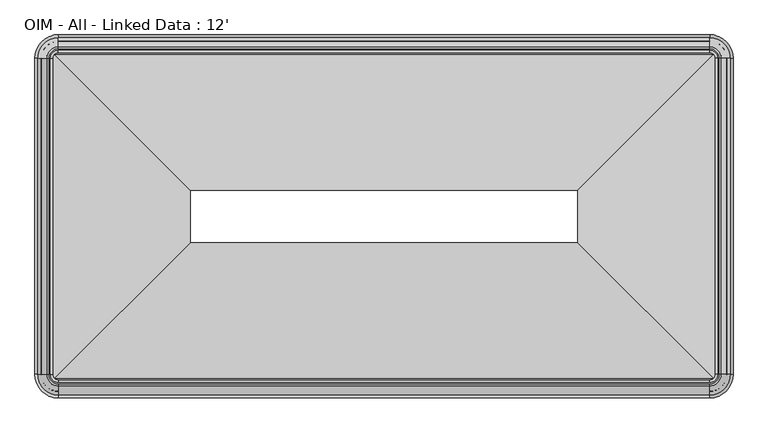
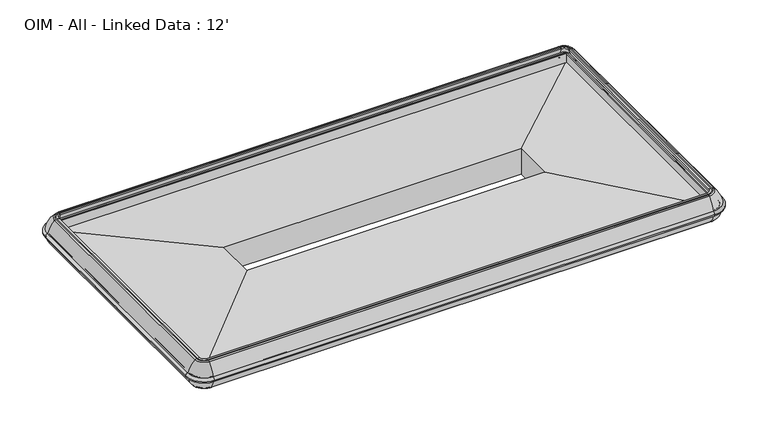
"""IFC4 building model written with IfcOpenShell, lengths in millimetres: proxy geometry, OIM - All - Linked Data : 12'."""

import ifcopenshell
import ifcopenshell.guid

model = None  # the IFC model being written
_history = None  # IfcOwnerHistory: only IFC2X3 demands one
_inside = {}  # id of a spatial element -> (the spatial element, [elements in it])
_under = {}  # id of a project, library or spatial element -> (it, [spatial elements below it])
_declared = {}  # id of a project -> (the project, [libraries it declares])
_typed = {}  # id of a type object -> (the type object, [elements of that type])
_made_of = {}  # id of a material, layer set ... -> (it, [elements and type objects made of it])


def new_model(schema):
    """Start an empty IFC model of exactly this schema.

    Asked for "IFC4X3", IfcOpenShell would pick the latest addendum, in which some entities
    have other attributes; the version numbers below select the first issue.
    IFC2X3 requires an IfcOwnerHistory on every rooted entity: one is made here for all.
    """
    global model, _history
    if schema == "IFC4X3":
        model = ifcopenshell.file(schema_version=(4, 3, 0, 0))
    else:
        model = ifcopenshell.file(schema=schema)
    _inside.clear()
    _under.clear()
    _declared.clear()
    _typed.clear()
    _made_of.clear()
    _history = None
    if model.schema == "IFC2X3":
        org = make("IfcOrganization", Name="unknown")
        user = make(
            "IfcPersonAndOrganization",
            ThePerson=make("IfcPerson", FamilyName="unknown"),
            TheOrganization=org,
        )
        app = make(
            "IfcApplication",
            ApplicationDeveloper=org,
            Version="unknown",
            ApplicationFullName="unknown",
            ApplicationIdentifier="unknown",
        )
        _history = make(
            "IfcOwnerHistory",
            OwningUser=user,
            OwningApplication=app,
            ChangeAction="ADDED",
            CreationDate=0,
        )
    return model


def make(cls, **values):
    """One entity of the class cls with the attributes given. An attribute that is None is left unset."""
    return model.create_entity(
        cls, **{name: value for name, value in values.items() if value is not None}
    )


def rooted(cls, **values):
    """An entity with a GlobalId (a new one), such as an element, a storey or a relation."""
    return make(cls, GlobalId=ifcopenshell.guid.new(), OwnerHistory=_history, **values)


def si_unit(unit_type, name, prefix=None):
    """IfcSIUnit, for example si_unit("LENGTHUNIT", "METRE", prefix="MILLI")."""
    return make("IfcSIUnit", UnitType=unit_type, Prefix=prefix, Name=name)


def assignment(units):
    """IfcUnitAssignment: the units of a project."""
    return None if units is None else make("IfcUnitAssignment", Units=units)


def point(xyz):
    """IfcCartesianPoint."""
    return None if xyz is None else make("IfcCartesianPoint", Coordinates=xyz)


def direction(xyz):
    """IfcDirection."""
    return None if xyz is None else make("IfcDirection", DirectionRatios=xyz)


def frame(location, z_axis=None, x_axis=None):
    """IfcAxis2Placement3D, a coordinate frame: its origin and axes. An axis left out is left unset."""
    return make(
        "IfcAxis2Placement3D",
        Location=point(location),
        Axis=direction(z_axis),
        RefDirection=direction(x_axis),
    )


def origin():
    """The frame at (0, 0, 0) with its axes left unset."""
    return frame((0.0, 0.0, 0.0))


def place(relative_to, where):
    """IfcLocalPlacement: puts the frame where relative to a parent placement (None: the world)."""
    return make(
        "IfcLocalPlacement", PlacementRelTo=relative_to, RelativePlacement=where
    )


def context(
    kind, dimensions, precision=None, world=None, true_north=None, identifier=None
):
    """IfcGeometricRepresentationContext, for example the 3D "Model" context."""
    return make(
        "IfcGeometricRepresentationContext",
        ContextIdentifier=identifier,
        ContextType=kind,
        CoordinateSpaceDimension=dimensions,
        Precision=precision,
        WorldCoordinateSystem=world,
        TrueNorth=true_north,
    )


def project(units=None, contexts=None):
    """IfcProject with its units and contexts."""
    return rooted(
        "IfcProject",
        Name="project",
        RepresentationContexts=contexts,
        UnitsInContext=assignment(units),
    )


def spatial(cls, under=None, at=None, **own):
    """A site, building, storey or space (cls), placed at a placement, below another one or the project."""
    s = rooted(cls, ObjectPlacement=at, **own)
    if under is not None:
        _under.setdefault(under.id(), (under, []))[1].append(s)
    return s


def polyline(points):
    """IfcPolyline through the points."""
    return make("IfcPolyline", Points=[point(p) for p in points])


def circle_curve(where, radius):
    """IfcCircle in the frame where."""
    return make("IfcCircle", Position=where, Radius=radius)


def ellipse_curve(where, semi_axis1, semi_axis2):
    """IfcEllipse in the frame where."""
    return make(
        "IfcEllipse", Position=where, SemiAxis1=semi_axis1, SemiAxis2=semi_axis2
    )


def trimmed(basis, trim1, trim2, sense, master):
    """IfcTrimmedCurve: the piece of a basis curve between two trims."""
    return make(
        "IfcTrimmedCurve",
        BasisCurve=basis,
        Trim1=trim1,
        Trim2=trim2,
        SenseAgreement=sense,
        MasterRepresentation=master,
    )


def faces_of(points, faces, orient=None, outer=None):
    """IfcFace entities. A face is a list of loops; a loop is a list of indices into points, from 0.

    orient and outer hold one flag for each loop. By default every Orientation is true, the
    first loop of a face is its IfcFaceOuterBound and the others are IfcFaceBound.
    """
    made = []
    for i, loops in enumerate(faces):
        bounds = []
        for j, loop in enumerate(loops):
            is_outer = j == 0 if outer is None else outer[i][j]
            bounds.append(
                make(
                    "IfcFaceOuterBound" if is_outer else "IfcFaceBound",
                    Bound=make("IfcPolyLoop", Polygon=[points[k] for k in loop]),
                    Orientation=True if orient is None else orient[i][j],
                )
            )
        made.append(make("IfcFace", Bounds=bounds))
    return made


def faceted_brep(points, faces, orient=None, outer=None, voids=None):
    """IfcFacetedBrep: a solid bounded by flat faces; with voids (closed shells), ...WithVoids."""
    shared = [point(p) for p in points]
    hull = make("IfcClosedShell", CfsFaces=faces_of(shared, faces, orient, outer))
    if voids is None:
        return make("IfcFacetedBrep", Outer=hull)
    return make(
        "IfcFacetedBrepWithVoids",
        Outer=hull,
        Voids=[
            make(cls, CfsFaces=faces_of(shared, fs, o, b)) for cls, fs, o, b in voids
        ],
    )


def shape(context_of_items, identifier, shape_type, items):
    """IfcShapeRepresentation: the items that make up one representation, for example the "Body"."""
    return make(
        "IfcShapeRepresentation",
        ContextOfItems=context_of_items,
        RepresentationIdentifier=identifier,
        RepresentationType=shape_type,
        Items=items,
    )


def source(mapping_origin, context_of_items, identifier, shape_type, items):
    """IfcRepresentationMap: a shape defined once, which mapped items show again and again."""
    return make(
        "IfcRepresentationMap",
        MappingOrigin=mapping_origin,
        MappedRepresentation=shape(context_of_items, identifier, shape_type, items),
    )


def transform(
    local_origin,
    x_axis=None,
    y_axis=None,
    z_axis=None,
    scale=None,
    scale2=None,
    scale3=None,
    uniform=True,
):
    """IfcCartesianTransformationOperator3D, or its non-uniform kind. x_axis, y_axis, z_axis: its Axis1, 2, 3."""
    if uniform:
        return make(
            "IfcCartesianTransformationOperator3D",
            Axis1=direction(x_axis),
            Axis2=direction(y_axis),
            LocalOrigin=point(local_origin),
            Scale=scale,
            Axis3=direction(z_axis),
        )
    return make(
        "IfcCartesianTransformationOperator3DnonUniform",
        Axis1=direction(x_axis),
        Axis2=direction(y_axis),
        LocalOrigin=point(local_origin),
        Scale=scale,
        Axis3=direction(z_axis),
        Scale2=scale2,
        Scale3=scale3,
    )


def mapped(mapping_source, mapping_target):
    """IfcMappedItem: shows the shape of a source again, moved by a transform."""
    return make(
        "IfcMappedItem", MappingSource=mapping_source, MappingTarget=mapping_target
    )


def made_of(thing, what):
    """Note that an element or type object is made of a material, layer set ...; save() writes the relation."""
    if what is not None:
        _made_of.setdefault(what.id(), (what, []))[1].append(thing)
    return thing


def element(
    cls,
    number,
    at=None,
    inside=None,
    cuts=None,
    type_object=None,
    material=None,
    context=None,
    identifier="Body",
    shape_type=None,
    held_by="IfcProductDefinitionShape",
    body=None,
    shapes=None,
    **own,
):
    """One element of the class cls, such as IfcWall. Its Tag is "e" and its number.

    at: its placement. inside: the storey or other place that contains it. cuts: it is an
    opening in that element (IfcRelVoidsElement). A single representation is given by context,
    identifier, shape_type and body (its items); several are given by shapes. held_by: the class
    of the entity that holds the representations. save() writes the other relations.
    """
    e = rooted(cls, Tag="e%d" % number, ObjectPlacement=at, **own)
    if body is not None:
        shapes = [shape(context, identifier, shape_type, body)]
    if shapes is not None:
        e.Representation = make(held_by, Representations=shapes)
    if inside is not None:
        _inside.setdefault(inside.id(), (inside, []))[1].append(e)
    if cuts is not None:
        rooted(
            "IfcRelVoidsElement", RelatingBuildingElement=cuts, RelatedOpeningElement=e
        )
    if type_object is not None:
        _typed.setdefault(type_object.id(), (type_object, []))[1].append(e)
    return made_of(e, material)


def aggregate(whole, parts):
    """IfcRelAggregates: a whole, such as a stair, and the parts it consists of."""
    return rooted("IfcRelAggregates", RelatingObject=whole, RelatedObjects=parts)


def save(model, path):
    """Write the relations noted so far, then the file.

    IfcRelAggregates (storeys below a building ...), IfcRelContainedInSpatialStructure (elements
    in a storey), IfcRelDefinesByType, IfcRelAssociatesMaterial and IfcRelDeclares: one each for
    every whole, place, type object, material and project.
    """
    for whole, parts in _under.values():
        aggregate(whole, parts)
    for where, things in _inside.values():
        rooted(
            "IfcRelContainedInSpatialStructure",
            RelatedElements=things,
            RelatingStructure=where,
        )
    for kind, things in _typed.values():
        rooted("IfcRelDefinesByType", RelatedObjects=things, RelatingType=kind)
    for what, things in _made_of.values():
        rooted("IfcRelAssociatesMaterial", RelatedObjects=things, RelatingMaterial=what)
    for by, libraries in _declared.values():
        rooted("IfcRelDeclares", RelatingContext=by, RelatedDefinitions=libraries)
    model.write(path)


def plane_surface(at):
    """IfcPlane: the flat surface through the origin of the frame at, square to its z axis."""
    return make("IfcPlane", Position=at)


def cylinder_surface(at, radius):
    """IfcCylindricalSurface: all points at the distance radius from the z axis of the frame at."""
    return make("IfcCylindricalSurface", Position=at, Radius=radius)


def revolved_surface(curve, axis_point, axis_direction):
    """IfcSurfaceOfRevolution: the curve turned about the line through axis_point along axis_direction."""
    return make(
        "IfcSurfaceOfRevolution",
        SweptCurve=make("IfcArbitraryOpenProfileDef", ProfileType="CURVE", Curve=curve),
        AxisPosition=make("IfcAxis1Placement", Location=point(axis_point), Axis=direction(axis_direction)),
    )


def advanced_brep(points, edges, surfaces, faces):
    """IfcAdvancedBrep: a solid bounded by faces that lie on surfaces and meet in shared edges.

    An edge is (start, end): straight between two places in points (the first is 0);
    or (start, end, curve); or (start, end, curve, False) where it runs against its curve.
    A face is (place in surfaces, loops), or (place, loops, False) where it looks against
    its surface's normal. A loop lists edges by number (the first is 1), with a minus sign
    where the edge is run from its end to its start. The first loop is the outer one.
    """
    corners = [point(p) for p in points]
    vertices = [make("IfcVertexPoint", VertexGeometry=c) for c in corners]
    made = []
    for start, end, *more in edges:
        made.append(
            make(
                "IfcEdgeCurve",
                EdgeStart=vertices[start],
                EdgeEnd=vertices[end],
                EdgeGeometry=more[0] if more else make("IfcPolyline", Points=[corners[start], corners[end]]),
                SameSense=more[1] if len(more) > 1 else True,
            )
        )
    hull = []
    for where, loops, *sense in faces:
        bounds = []
        for j, loop in enumerate(loops):
            ring = [make("IfcOrientedEdge", EdgeElement=made[abs(k) - 1], Orientation=k > 0) for k in loop]
            bounds.append(
                make(
                    "IfcFaceOuterBound" if j == 0 else "IfcFaceBound",
                    Bound=make("IfcEdgeLoop", EdgeList=ring),
                    Orientation=True,
                )
            )
        hull.append(make("IfcAdvancedFace", Bounds=bounds, FaceSurface=surfaces[where], SameSense=sense[0] if sense else True))
    return make("IfcAdvancedBrep", Outer=make("IfcClosedShell", CfsFaces=hull))


def oim_all_linked_data_12_1c529752(model_context):
    return source(origin(), model_context, "Body", "SolidModel", [
        faceted_brep([(3035.4647942, -1560.5487215, 450.4660075), (3035.4647942, -1560.5487215, 645.5473618), (3035.4647942, -1268.1191331, 645.5473618), (3035.4647942, -1268.1191331, 450.4660075), (3308.1689137, -1833.252841, 436.6496591), (3308.1689137, -995.4150136, 436.6496591), (3323.2508194, -1848.3347467, 422.3615379), (3323.2508194, -980.3331079, 422.3615379), (3337.0073057, -1862.091233, 435.3939986), (3337.0073057, -966.5766216, 435.3939986), (3641.3384126, -2166.4223399, 446.4092529), (3641.3384126, -662.2455147, 446.4092529), (3819.5117928, -2344.5957201, 571.1675968), (3819.5117928, -484.0721345, 571.1675968), (3819.5117928, -2344.5957201, 652.4421919), (3819.5117928, -484.0721345, 652.4421919), (3804.4305021, -2329.5144294, 644.8221919), (3805.4205286, -2330.5044559, 652.4421919), (3805.4205286, -498.1633987, 652.4421919), (3804.4305021, -499.1534252, 644.8221919), (3804.4305021, -2329.5144294, 580.407456), (3804.4305021, -499.1534252, 580.407456), (866.6102058, -1268.1191331, 645.5473618), (866.6102058, -1268.1191331, 450.4660075), (593.9060863, -995.4150136, 436.6496591), (578.8241806, -980.3331079, 422.3615379), (565.0676943, -966.5766216, 435.3939986), (260.7365874, -662.2455147, 446.4092529), (82.5632072, -484.0721345, 571.1675968), (82.5632072, -484.0721345, 652.4421919), (96.6544714, -498.1633987, 652.4421919), (97.6444979, -499.1534252, 644.8221919), (97.6444979, -499.1534252, 580.407456), (866.6102058, -1560.5487215, 645.5473618), (866.6102058, -1560.5487215, 450.4660075), (593.9060863, -1833.252841, 436.6496591), (578.8241806, -1848.3347467, 422.3615379), (565.0676943, -1862.091233, 435.3939986), (260.7365874, -2166.4223399, 446.4092529), (82.5632072, -2344.5957201, 571.1675968), (82.5632072, -2344.5957201, 652.4421919), (96.6544714, -2330.5044559, 652.4421919), (97.6444979, -2329.5144294, 644.8221919), (97.6444979, -2329.5144294, 580.407456)], [[[0, 1, 2, 3]], [[4, 0, 3, 5]], [[6, 4, 5, 7]], [[8, 6, 7, 9]], [[10, 8, 9, 11]], [[12, 10, 11, 13]], [[14, 12, 13, 15]], [[16, 17, 18, 19]], [[20, 16, 19, 21]], [[1, 20, 21, 2]], [[3, 2, 22, 23]], [[5, 3, 23, 24]], [[7, 5, 24, 25]], [[9, 7, 25, 26]], [[11, 9, 26, 27]], [[13, 11, 27, 28]], [[15, 13, 28, 29]], [[19, 18, 30, 31]], [[21, 19, 31, 32]], [[2, 21, 32, 22]], [[23, 22, 33, 34]], [[24, 23, 34, 35]], [[25, 24, 35, 36]], [[26, 25, 36, 37]], [[27, 26, 37, 38]], [[28, 27, 38, 39]], [[29, 28, 39, 40]], [[31, 30, 41, 42]], [[32, 31, 42, 43]], [[22, 32, 43, 33]], [[34, 33, 1, 0]], [[35, 34, 0, 4]], [[36, 35, 4, 6]], [[37, 36, 6, 8]], [[38, 37, 8, 10]], [[39, 38, 10, 12]], [[40, 39, 12, 14]], [[15, 29, 40, 14], [17, 41, 30, 18]], [[42, 41, 17, 16]], [[43, 42, 16, 20]], [[33, 43, 20, 1]]]),
        advanced_brep(
        [(-3.5299884, -2298.62165, 584.7675726), (128.5372773, -2430.6889157, 584.7675726), (128.5372773, -2395.6988356, 584.7675726), (31.4600917, -2298.62165, 584.7675726), (31.4600917, -530.0462046, 584.7675726), (-3.5299884, -530.0462046, 584.7675726), (128.5372773, -397.9789389, 584.7675726), (128.5372773, -432.969019, 584.7675726), (3773.5377227, -432.969019, 584.7675726), (3773.5377227, -397.9789389, 584.7675726), (3905.6049884, -530.0462046, 584.7675726), (3870.6149083, -530.0462046, 584.7675726), (3870.6149083, -2298.62165, 584.7675726), (3905.6049884, -2298.62165, 584.7675726), (3773.5377227, -2430.6889157, 584.7675726), (3773.5377227, -2395.6988356, 584.7675726)],
        [
            (0, 1, circle_curve(frame((128.5372773, -2298.62165, 584.7675726), z_axis=(0.0, 0.0, 1.0), x_axis=(0.0, -1.0, 0.0)), 132.0672657)),
            (1, 2, circle_curve(frame((128.5372773, -2413.1938757, 584.7675726), z_axis=(-1.0, 0.0, 0.0), x_axis=(0.0, -1.0, 0.0)), 17.49504)),
            (2, 3, circle_curve(frame((128.5372773, -2298.62165, 584.7675726), z_axis=(0.0, 0.0, -1.0), x_axis=(0.0, -1.0, 0.0)), 97.0771856)),
            (3, 0, circle_curve(frame((13.9650516, -2298.62165, 584.7675726), z_axis=(0.0, -1.0, 0.0), x_axis=(-1.0, 0.0, 0.0)), 17.49504)),
            (2, 1, circle_curve(frame((128.5372773, -2413.1938757, 584.7675726), z_axis=(-1.0, 0.0, 0.0), x_axis=(0.0, -1.0, 0.0)), 17.49504)),
            (0, 3, circle_curve(frame((13.9650516, -2298.62165, 584.7675726), z_axis=(0.0, -1.0, 0.0), x_axis=(-1.0, 0.0, 0.0)), 17.49504)),
            (3, 4),
            (4, 5, circle_curve(frame((13.9650516, -530.0462046, 584.7675726), z_axis=(0.0, -1.0, 0.0), x_axis=(-1.0, 0.0, 0.0)), 17.49504)),
            (5, 0),
            (5, 4, circle_curve(frame((13.9650516, -530.0462046, 584.7675726), z_axis=(0.0, -1.0, 0.0), x_axis=(-1.0, 0.0, 0.0)), 17.49504)),
            (6, 5, circle_curve(frame((128.5372773, -530.0462046, 584.7675726), z_axis=(0.0, 0.0, 1.0), x_axis=(-1.0, 0.0, 0.0)), 132.0672657)),
            (4, 7, circle_curve(frame((128.5372773, -530.0462046, 584.7675726), z_axis=(0.0, 0.0, -1.0), x_axis=(-1.0, 0.0, 0.0)), 97.0771856)),
            (7, 6, circle_curve(frame((128.5372773, -415.4739789, 584.7675726), z_axis=(-1.0, 0.0, 0.0), x_axis=(0.0, 1.0, 0.0)), 17.49504)),
            (6, 7, circle_curve(frame((128.5372773, -415.4739789, 584.7675726), z_axis=(-1.0, 0.0, 0.0), x_axis=(0.0, 1.0, 0.0)), 17.49504)),
            (7, 8),
            (8, 9, circle_curve(frame((3773.5377227, -415.4739789, 584.7675726), z_axis=(-1.0, 0.0, 0.0), x_axis=(0.0, 1.0, 0.0)), 17.49504)),
            (9, 6),
            (9, 8, circle_curve(frame((3773.5377227, -415.4739789, 584.7675726), z_axis=(-1.0, 0.0, 0.0), x_axis=(0.0, 1.0, 0.0)), 17.49504)),
            (10, 9, circle_curve(frame((3773.5377227, -530.0462046, 584.7675726), z_axis=(0.0, 0.0, 1.0), x_axis=(0.0, 1.0, 0.0)), 132.0672657)),
            (8, 11, circle_curve(frame((3773.5377227, -530.0462046, 584.7675726), z_axis=(0.0, 0.0, -1.0), x_axis=(0.0, 1.0, 0.0)), 97.0771856)),
            (11, 10, circle_curve(frame((3888.1099484, -530.0462046, 584.7675726), z_axis=(0.0, 1.0, 0.0), x_axis=(1.0, 0.0, 0.0)), 17.49504)),
            (10, 11, circle_curve(frame((3888.1099484, -530.0462046, 584.7675726), z_axis=(0.0, 1.0, 0.0), x_axis=(1.0, 0.0, 0.0)), 17.49504)),
            (11, 12),
            (12, 13, circle_curve(frame((3888.1099484, -2298.62165, 584.7675726), z_axis=(0.0, 1.0, 0.0), x_axis=(1.0, 0.0, 0.0)), 17.49504)),
            (13, 10),
            (13, 12, circle_curve(frame((3888.1099484, -2298.62165, 584.7675726), z_axis=(0.0, 1.0, 0.0), x_axis=(1.0, 0.0, 0.0)), 17.49504)),
            (14, 13, circle_curve(frame((3773.5377227, -2298.62165, 584.7675726), z_axis=(0.0, 0.0, 1.0), x_axis=(1.0, 0.0, 0.0)), 132.0672657)),
            (12, 15, circle_curve(frame((3773.5377227, -2298.62165, 584.7675726), z_axis=(0.0, 0.0, -1.0), x_axis=(1.0, 0.0, 0.0)), 97.0771856)),
            (15, 14, circle_curve(frame((3773.5377227, -2413.1938757, 584.7675726), z_axis=(1.0, 0.0, 0.0), x_axis=(0.0, -1.0, 0.0)), 17.49504)),
            (14, 15, circle_curve(frame((3773.5377227, -2413.1938757, 584.7675726), z_axis=(1.0, 0.0, 0.0), x_axis=(0.0, -1.0, 0.0)), 17.49504)),
            (15, 2),
            (1, 14),
        ],
        [
            revolved_surface(trimmed(ellipse_curve(frame((128.5372773, -2413.1938757, 584.7675726), z_axis=(1.0, 0.0, 0.0), x_axis=(0.0, -1.0, 0.0)), 17.49504, 17.49504), [point((128.5372773, -2395.6988356, 584.7675726))], [point((128.5372773, -2430.6889157, 584.7675726))], True, "CARTESIAN"), (128.5372773, -2298.62165, 0.0), (0.0, 0.0, -1.0)),
            revolved_surface(trimmed(ellipse_curve(frame((128.5372773, -2413.1938757, 584.7675726), z_axis=(1.0, 0.0, 0.0), x_axis=(0.0, -1.0, 0.0)), 17.49504, 17.49504), [point((128.5372773, -2430.6889157, 584.7675726))], [point((128.5372773, -2395.6988356, 584.7675726))], True, "CARTESIAN"), (128.5372773, -2298.62165, 0.0), (0.0, 0.0, -1.0)),
            cylinder_surface(frame((13.9650516, -2298.62165, 584.7675726), z_axis=(0.0, -1.0, 0.0), x_axis=(-1.0, 0.0, 0.0)), 17.49504),
            revolved_surface(trimmed(ellipse_curve(frame((13.9650516, -530.0462046, 584.7675726), z_axis=(0.0, -1.0, 0.0), x_axis=(-1.0, 0.0, 0.0)), 17.49504, 17.49504), [point((31.4600917, -530.0462046, 584.7675726))], [point((-3.5299884, -530.0462046, 584.7675726))], True, "CARTESIAN"), (128.5372773, -530.0462046, 0.0), (0.0, 0.0, -1.0)),
            revolved_surface(trimmed(ellipse_curve(frame((13.9650516, -530.0462046, 584.7675726), z_axis=(0.0, -1.0, 0.0), x_axis=(-1.0, 0.0, 0.0)), 17.49504, 17.49504), [point((-3.5299884, -530.0462046, 584.7675726))], [point((31.4600917, -530.0462046, 584.7675726))], True, "CARTESIAN"), (128.5372773, -530.0462046, 0.0), (0.0, 0.0, -1.0)),
            cylinder_surface(frame((128.5372773, -415.4739789, 584.7675726), z_axis=(-1.0, 0.0, 0.0), x_axis=(0.0, 1.0, 0.0)), 17.49504),
            revolved_surface(trimmed(ellipse_curve(frame((3773.5377227, -415.4739789, 584.7675726), z_axis=(-1.0, 0.0, 0.0), x_axis=(0.0, 1.0, 0.0)), 17.49504, 17.49504), [point((3773.5377227, -432.969019, 584.7675726))], [point((3773.5377227, -397.9789389, 584.7675726))], True, "CARTESIAN"), (3773.5377227, -530.0462046, 0.0), (0.0, 0.0, -1.0)),
            revolved_surface(trimmed(ellipse_curve(frame((3773.5377227, -415.4739789, 584.7675726), z_axis=(-1.0, 0.0, 0.0), x_axis=(0.0, 1.0, 0.0)), 17.49504, 17.49504), [point((3773.5377227, -397.9789389, 584.7675726))], [point((3773.5377227, -432.969019, 584.7675726))], True, "CARTESIAN"), (3773.5377227, -530.0462046, 0.0), (0.0, 0.0, -1.0)),
            cylinder_surface(frame((3888.1099484, -530.0462046, 584.7675726), z_axis=(0.0, 1.0, 0.0), x_axis=(1.0, 0.0, 0.0)), 17.49504),
            revolved_surface(trimmed(ellipse_curve(frame((3888.1099484, -2298.62165, 584.7675726), z_axis=(0.0, 1.0, 0.0), x_axis=(1.0, 0.0, 0.0)), 17.49504, 17.49504), [point((3870.6149083, -2298.62165, 584.7675726))], [point((3905.6049884, -2298.62165, 584.7675726))], True, "CARTESIAN"), (3773.5377227, -2298.62165, 0.0), (0.0, 0.0, -1.0)),
            revolved_surface(trimmed(ellipse_curve(frame((3888.1099484, -2298.62165, 584.7675726), z_axis=(0.0, 1.0, 0.0), x_axis=(1.0, 0.0, 0.0)), 17.49504, 17.49504), [point((3905.6049884, -2298.62165, 584.7675726))], [point((3870.6149083, -2298.62165, 584.7675726))], True, "CARTESIAN"), (3773.5377227, -2298.62165, 0.0), (0.0, 0.0, -1.0)),
            cylinder_surface(frame((3773.5377227, -2413.1938757, 584.7675726), z_axis=(1.0, 0.0, 0.0), x_axis=(0.0, -1.0, 0.0)), 17.49504),
        ],
        [
            (0, [[1, 2, 3, 4]]),
            (1, [[-3, 5, -1, 6]]),
            (2, [[-4, 7, 8, 9]]),
            (2, [[-6, -9, 10, -7]]),
            (3, [[11, -8, 12, 13]]),
            (4, [[-12, -10, -11, 14]]),
            (5, [[-13, 15, 16, 17]]),
            (5, [[-14, -17, 18, -15]]),
            (6, [[19, -16, 20, 21]]),
            (7, [[-20, -18, -19, 22]]),
            (8, [[-21, 23, 24, 25]]),
            (8, [[-22, -25, 26, -23]]),
            (9, [[27, -24, 28, 29]]),
            (10, [[-28, -26, -27, 30]]),
            (11, [[-29, 31, -2, 32]]),
            (11, [[-30, -32, -5, -31]]),
        ],
    ),
        advanced_brep(
        [(3821.8168021, -2298.62165, 502.405218), (3773.5377227, -2346.9007294, 502.405218), (3773.5377227, -2346.9007294, 649.6302707), (3821.8168021, -2298.62165, 649.6302707), (3860.6269627, -2298.62165, 504.5537563), (3773.5377227, -2385.71089, 504.5537563), (3773.5377227, -2380.9495646, 502.405218), (3855.8656373, -2298.62165, 502.405218), (3890.6306889, -2298.62165, 567.4550831), (3773.5377227, -2415.7146162, 567.4550831), (3890.4225364, -2298.62165, 602.109094), (3773.5377227, -2415.5064637, 602.109094), (3839.34706, -2298.62165, 687.0777092), (3773.5377227, -2364.4309873, 687.0777092), (3828.5606373, -2298.62165, 691.305018), (3773.5377227, -2353.6445646, 691.305018), (3805.53719, -2298.62165, 690.9584783), (3773.5377227, -2330.6211173, 690.9584783), (3773.5377227, -2344.1195646, 691.305018), (3819.0356373, -2298.62165, 691.305018), (3821.8168021, -530.0462046, 649.6302707), (3821.8168021, -530.0462046, 502.405218), (3855.8656373, -530.0462046, 502.405218), (3860.6269627, -530.0462046, 504.5537563), (3890.6306889, -530.0462046, 567.4550831), (3890.4225364, -530.0462046, 602.109094), (3839.34706, -530.0462046, 687.0777092), (3828.5606373, -530.0462046, 691.305018), (3819.0356373, -530.0462046, 691.305018), (3805.53719, -530.0462046, 690.9584783), (3773.5377227, -481.7671252, 502.405218), (3773.5377227, -481.7671252, 649.6302707), (3773.5377227, -442.9569646, 504.5537563), (3773.5377227, -447.71829, 502.405218), (3773.5377227, -412.9532384, 567.4550831), (3773.5377227, -413.1613909, 602.109094), (3773.5377227, -464.2368673, 687.0777092), (3773.5377227, -475.02329, 691.305018), (3773.5377227, -498.0467373, 690.9584783), (3773.5377227, -484.54829, 691.305018), (128.5372773, -481.7671252, 649.6302707), (128.5372773, -481.7671252, 502.405218), (128.5372773, -447.71829, 502.405218), (128.5372773, -442.9569646, 504.5537563), (128.5372773, -412.9532384, 567.4550831), (128.5372773, -413.1613909, 602.109094), (128.5372773, -464.2368673, 687.0777092), (128.5372773, -475.02329, 691.305018), (128.5372773, -484.54829, 691.305018), (128.5372773, -498.0467373, 690.9584783), (80.2581979, -530.0462046, 502.405218), (80.2581979, -530.0462046, 649.6302707), (41.4480373, -530.0462046, 504.5537563), (46.2093627, -530.0462046, 502.405218), (11.4443111, -530.0462046, 567.4550831), (11.6524636, -530.0462046, 602.109094), (62.72794, -530.0462046, 687.0777092), (73.5143627, -530.0462046, 691.305018), (96.53781, -530.0462046, 690.9584783), (83.0393627, -530.0462046, 691.305018), (80.2581979, -2298.62165, 649.6302707), (80.2581979, -2298.62165, 502.405218), (46.2093627, -2298.62165, 502.405218), (41.4480373, -2298.62165, 504.5537563), (11.4443111, -2298.62165, 567.4550831), (11.6524636, -2298.62165, 602.109094), (62.72794, -2298.62165, 687.0777092), (73.5143627, -2298.62165, 691.305018), (83.0393627, -2298.62165, 691.305018), (96.53781, -2298.62165, 690.9584783), (128.5372773, -2346.9007294, 502.405218), (128.5372773, -2346.9007294, 649.6302707), (128.5372773, -2385.71089, 504.5537563), (128.5372773, -2380.9495646, 502.405218), (128.5372773, -2415.7146162, 567.4550831), (128.5372773, -2415.5064637, 602.109094), (128.5372773, -2364.4309873, 687.0777092), (128.5372773, -2353.6445646, 691.305018), (128.5372773, -2330.6211173, 690.9584783), (128.5372773, -2344.1195646, 691.305018)],
        [
            (0, 1, circle_curve(frame((3773.5377227, -2298.62165, 502.405218), z_axis=(0.0, 0.0, -1.0), x_axis=(0.0, -1.0, 0.0)), 48.2790794)),
            (1, 2),
            (2, 3, circle_curve(frame((3773.5377227, -2298.62165, 649.6302707), z_axis=(0.0, 0.0, 1.0), x_axis=(0.0, -1.0, 0.0)), 48.2790794)),
            (3, 0),
            (4, 5, circle_curve(frame((3773.5377227, -2298.62165, 504.5537563), z_axis=(0.0, 0.0, -1.0), x_axis=(0.0, -1.0, 0.0)), 87.08924)),
            (5, 6, circle_curve(frame((3773.5377227, -2380.9495646, 508.755218), z_axis=(1.0, 0.0, 0.0), x_axis=(0.0, 1.0, 0.0)), 6.35)),
            (6, 7, circle_curve(frame((3773.5377227, -2298.62165, 502.405218), z_axis=(0.0, 0.0, 1.0), x_axis=(0.0, -1.0, 0.0)), 82.3279146)),
            (7, 4, circle_curve(frame((3855.8656373, -2298.62165, 508.755218), z_axis=(0.0, -1.0, 0.0), x_axis=(-1.0, 0.0, 0.0)), 6.35)),
            (8, 9, circle_curve(frame((3773.5377227, -2298.62165, 567.4550831), z_axis=(0.0, 0.0, -1.0), x_axis=(0.0, -1.0, 0.0)), 117.0929662)),
            (9, 5, circle_curve(frame((3773.5377227, -2290.4843821, 588.5829906), z_axis=(1.0, 0.0, 0.0), x_axis=(0.0, 1.0, 0.0)), 127.0)),
            (4, 8, circle_curve(frame((3765.4004548, -2298.62165, 588.5829906), z_axis=(0.0, -1.0, 0.0), x_axis=(-1.0, 0.0, 0.0)), 127.0)),
            (10, 11, circle_curve(frame((3773.5377227, -2298.62165, 602.109094), z_axis=(0.0, 0.0, -1.0), x_axis=(0.0, -1.0, 0.0)), 116.8848137)),
            (11, 9, circle_curve(frame((3773.5377227, -2413.1938757, 584.7675726), z_axis=(-1.0, 0.0, 0.0), x_axis=(0.0, 1.0, 0.0)), 17.49504)),
            (8, 10, circle_curve(frame((3888.1099484, -2298.62165, 584.7675726), z_axis=(0.0, 1.0, 0.0), x_axis=(-1.0, 0.0, 0.0)), 17.49504)),
            (12, 13, circle_curve(frame((3773.5377227, -2298.62165, 687.0777092), z_axis=(0.0, 0.0, -1.0), x_axis=(0.0, -1.0, 0.0)), 65.8093373)),
            (13, 11, circle_curve(frame((3773.5377227, -2243.6230529, 556.623568), z_axis=(1.0, 0.0, 0.0), x_axis=(0.0, 1.0, 0.0)), 177.7999999)),
            (10, 12, circle_curve(frame((3718.5391256, -2298.62165, 556.623568), z_axis=(0.0, -1.0, 0.0), x_axis=(-1.0, 0.0, 0.0)), 177.7999999)),
            (14, 15, circle_curve(frame((3773.5377227, -2298.62165, 691.305018), z_axis=(0.0, 0.0, -1.0), x_axis=(0.0, -1.0, 0.0)), 55.0229146)),
            (15, 13, circle_curve(frame((3773.5377227, -2353.6445646, 675.430018), z_axis=(1.0, 0.0, 0.0), x_axis=(0.0, 1.0, 0.0)), 15.875)),
            (12, 14, circle_curve(frame((3828.5606373, -2298.62165, 675.430018), z_axis=(0.0, -1.0, 0.0), x_axis=(-1.0, 0.0, 0.0)), 15.875)),
            (16, 17, circle_curve(frame((3773.5377227, -2298.62165, 690.9584783), z_axis=(0.0, 0.0, -1.0), x_axis=(0.0, -1.0, 0.0)), 31.9994673)),
            (17, 18),
            (18, 19, circle_curve(frame((3773.5377227, -2298.62165, 691.305018), z_axis=(0.0, 0.0, 1.0), x_axis=(0.0, -1.0, 0.0)), 45.4979146)),
            (19, 16),
            (2, 17),
            (16, 3),
            (3, 20),
            (20, 21),
            (21, 0),
            (7, 22),
            (22, 23, circle_curve(frame((3855.8656373, -530.0462046, 508.755218), z_axis=(0.0, -1.0, 0.0), x_axis=(-1.0, 0.0, 0.0)), 6.35)),
            (23, 4),
            (23, 24, circle_curve(frame((3765.4004548, -530.0462046, 588.5829906), z_axis=(0.0, -1.0, 0.0), x_axis=(-1.0, 0.0, 0.0)), 127.0)),
            (24, 8),
            (24, 25, circle_curve(frame((3888.1099484, -530.0462046, 584.7675726), z_axis=(0.0, 1.0, 0.0), x_axis=(-1.0, 0.0, 0.0)), 17.49504)),
            (25, 10),
            (25, 26, circle_curve(frame((3718.5391256, -530.0462046, 556.623568), z_axis=(0.0, -1.0, 0.0), x_axis=(-1.0, 0.0, 0.0)), 177.7999999)),
            (26, 12),
            (26, 27, circle_curve(frame((3828.5606373, -530.0462046, 675.430018), z_axis=(0.0, -1.0, 0.0), x_axis=(-1.0, 0.0, 0.0)), 15.875)),
            (27, 14),
            (19, 28),
            (28, 29),
            (29, 16),
            (29, 20),
            (30, 21, circle_curve(frame((3773.5377227, -530.0462046, 502.405218), z_axis=(0.0, 0.0, -1.0), x_axis=(1.0, 0.0, 0.0)), 48.2790794)),
            (20, 31, circle_curve(frame((3773.5377227, -530.0462046, 649.6302707), z_axis=(0.0, 0.0, 1.0), x_axis=(1.0, 0.0, 0.0)), 48.2790794)),
            (31, 30),
            (32, 23, circle_curve(frame((3773.5377227, -530.0462046, 504.5537563), z_axis=(0.0, 0.0, -1.0), x_axis=(1.0, 0.0, 0.0)), 87.08924)),
            (22, 33, circle_curve(frame((3773.5377227, -530.0462046, 502.405218), z_axis=(0.0, 0.0, 1.0), x_axis=(1.0, 0.0, 0.0)), 82.3279146)),
            (33, 32, circle_curve(frame((3773.5377227, -447.71829, 508.755218), z_axis=(1.0, 0.0, 0.0), x_axis=(0.0, -1.0, 0.0)), 6.35)),
            (34, 24, circle_curve(frame((3773.5377227, -530.0462046, 567.4550831), z_axis=(0.0, 0.0, -1.0), x_axis=(1.0, 0.0, 0.0)), 117.0929662)),
            (32, 34, circle_curve(frame((3773.5377227, -538.1834725, 588.5829906), z_axis=(1.0, 0.0, 0.0), x_axis=(0.0, -1.0, 0.0)), 127.0)),
            (35, 25, circle_curve(frame((3773.5377227, -530.0462046, 602.109094), z_axis=(0.0, 0.0, -1.0), x_axis=(1.0, 0.0, 0.0)), 116.8848137)),
            (34, 35, circle_curve(frame((3773.5377227, -415.4739789, 584.7675726), z_axis=(-1.0, 0.0, 0.0), x_axis=(0.0, -1.0, 0.0)), 17.49504)),
            (36, 26, circle_curve(frame((3773.5377227, -530.0462046, 687.0777092), z_axis=(0.0, 0.0, -1.0), x_axis=(1.0, 0.0, 0.0)), 65.8093373)),
            (35, 36, circle_curve(frame((3773.5377227, -585.0448017, 556.623568), z_axis=(1.0, 0.0, 0.0), x_axis=(0.0, -1.0, 0.0)), 177.7999999)),
            (37, 27, circle_curve(frame((3773.5377227, -530.0462046, 691.305018), z_axis=(0.0, 0.0, -1.0), x_axis=(1.0, 0.0, 0.0)), 55.0229146)),
            (36, 37, circle_curve(frame((3773.5377227, -475.02329, 675.430018), z_axis=(1.0, 0.0, 0.0), x_axis=(0.0, -1.0, 0.0)), 15.875)),
            (38, 29, circle_curve(frame((3773.5377227, -530.0462046, 690.9584783), z_axis=(0.0, 0.0, -1.0), x_axis=(1.0, 0.0, 0.0)), 31.9994673)),
            (28, 39, circle_curve(frame((3773.5377227, -530.0462046, 691.305018), z_axis=(0.0, 0.0, 1.0), x_axis=(1.0, 0.0, 0.0)), 45.4979146)),
            (39, 38),
            (38, 31),
            (31, 40),
            (40, 41),
            (41, 30),
            (33, 42),
            (42, 43, circle_curve(frame((128.5372773, -447.71829, 508.755218), z_axis=(1.0, 0.0, 0.0), x_axis=(0.0, -1.0, 0.0)), 6.35)),
            (43, 32),
            (43, 44, circle_curve(frame((128.5372773, -538.1834725, 588.5829906), z_axis=(1.0, 0.0, 0.0), x_axis=(0.0, -1.0, 0.0)), 127.0)),
            (44, 34),
            (44, 45, circle_curve(frame((128.5372773, -415.4739789, 584.7675726), z_axis=(-1.0, 0.0, 0.0), x_axis=(0.0, -1.0, 0.0)), 17.49504)),
            (45, 35),
            (45, 46, circle_curve(frame((128.5372773, -585.0448017, 556.623568), z_axis=(1.0, 0.0, 0.0), x_axis=(0.0, -1.0, 0.0)), 177.7999999)),
            (46, 36),
            (46, 47, circle_curve(frame((128.5372773, -475.02329, 675.430018), z_axis=(1.0, 0.0, 0.0), x_axis=(0.0, -1.0, 0.0)), 15.875)),
            (47, 37),
            (39, 48),
            (48, 49),
            (49, 38),
            (49, 40),
            (50, 41, circle_curve(frame((128.5372773, -530.0462046, 502.405218), z_axis=(0.0, 0.0, -1.0), x_axis=(0.0, 1.0, 0.0)), 48.2790794)),
            (40, 51, circle_curve(frame((128.5372773, -530.0462046, 649.6302707), z_axis=(0.0, 0.0, 1.0), x_axis=(0.0, 1.0, 0.0)), 48.2790794)),
            (51, 50),
            (52, 43, circle_curve(frame((128.5372773, -530.0462046, 504.5537563), z_axis=(0.0, 0.0, -1.0), x_axis=(0.0, 1.0, 0.0)), 87.08924)),
            (42, 53, circle_curve(frame((128.5372773, -530.0462046, 502.405218), z_axis=(0.0, 0.0, 1.0), x_axis=(0.0, 1.0, 0.0)), 82.3279146)),
            (53, 52, circle_curve(frame((46.2093627, -530.0462046, 508.755218), z_axis=(0.0, 1.0, 0.0), x_axis=(1.0, 0.0, 0.0)), 6.35)),
            (54, 44, circle_curve(frame((128.5372773, -530.0462046, 567.4550831), z_axis=(0.0, 0.0, -1.0), x_axis=(0.0, 1.0, 0.0)), 117.0929662)),
            (52, 54, circle_curve(frame((136.6745452, -530.0462046, 588.5829906), z_axis=(0.0, 1.0, 0.0), x_axis=(1.0, 0.0, 0.0)), 127.0)),
            (55, 45, circle_curve(frame((128.5372773, -530.0462046, 602.109094), z_axis=(0.0, 0.0, -1.0), x_axis=(0.0, 1.0, 0.0)), 116.8848137)),
            (54, 55, circle_curve(frame((13.9650516, -530.0462046, 584.7675726), z_axis=(0.0, -1.0, 0.0), x_axis=(1.0, 0.0, 0.0)), 17.49504)),
            (56, 46, circle_curve(frame((128.5372773, -530.0462046, 687.0777092), z_axis=(0.0, 0.0, -1.0), x_axis=(0.0, 1.0, 0.0)), 65.8093373)),
            (55, 56, circle_curve(frame((183.5358744, -530.0462046, 556.623568), z_axis=(0.0, 1.0, 0.0), x_axis=(1.0, 0.0, 0.0)), 177.7999999)),
            (57, 47, circle_curve(frame((128.5372773, -530.0462046, 691.305018), z_axis=(0.0, 0.0, -1.0), x_axis=(0.0, 1.0, 0.0)), 55.0229146)),
            (56, 57, circle_curve(frame((73.5143627, -530.0462046, 675.430018), z_axis=(0.0, 1.0, 0.0), x_axis=(1.0, 0.0, 0.0)), 15.875)),
            (58, 49, circle_curve(frame((128.5372773, -530.0462046, 690.9584783), z_axis=(0.0, 0.0, -1.0), x_axis=(0.0, 1.0, 0.0)), 31.9994673)),
            (48, 59, circle_curve(frame((128.5372773, -530.0462046, 691.305018), z_axis=(0.0, 0.0, 1.0), x_axis=(0.0, 1.0, 0.0)), 45.4979146)),
            (59, 58),
            (58, 51),
            (51, 60),
            (60, 61),
            (61, 50),
            (53, 62),
            (62, 63, circle_curve(frame((46.2093627, -2298.62165, 508.755218), z_axis=(0.0, 1.0, 0.0), x_axis=(1.0, 0.0, 0.0)), 6.35)),
            (63, 52),
            (63, 64, circle_curve(frame((136.6745452, -2298.62165, 588.5829906), z_axis=(0.0, 1.0, 0.0), x_axis=(1.0, 0.0, 0.0)), 127.0)),
            (64, 54),
            (64, 65, circle_curve(frame((13.9650516, -2298.62165, 584.7675726), z_axis=(0.0, -1.0, 0.0), x_axis=(1.0, 0.0, 0.0)), 17.49504)),
            (65, 55),
            (65, 66, circle_curve(frame((183.5358744, -2298.62165, 556.623568), z_axis=(0.0, 1.0, 0.0), x_axis=(1.0, 0.0, 0.0)), 177.7999999)),
            (66, 56),
            (66, 67, circle_curve(frame((73.5143627, -2298.62165, 675.430018), z_axis=(0.0, 1.0, 0.0), x_axis=(1.0, 0.0, 0.0)), 15.875)),
            (67, 57),
            (59, 68),
            (68, 69),
            (69, 58),
            (69, 60),
            (70, 61, circle_curve(frame((128.5372773, -2298.62165, 502.405218), z_axis=(0.0, 0.0, -1.0), x_axis=(-1.0, 0.0, 0.0)), 48.2790794)),
            (60, 71, circle_curve(frame((128.5372773, -2298.62165, 649.6302707), z_axis=(0.0, 0.0, 1.0), x_axis=(-1.0, 0.0, 0.0)), 48.2790794)),
            (71, 70),
            (72, 63, circle_curve(frame((128.5372773, -2298.62165, 504.5537563), z_axis=(0.0, 0.0, -1.0), x_axis=(-1.0, 0.0, 0.0)), 87.08924)),
            (62, 73, circle_curve(frame((128.5372773, -2298.62165, 502.405218), z_axis=(0.0, 0.0, 1.0), x_axis=(-1.0, 0.0, 0.0)), 82.3279146)),
            (73, 72, circle_curve(frame((128.5372773, -2380.9495646, 508.755218), z_axis=(-1.0, 0.0, 0.0), x_axis=(0.0, 1.0, 0.0)), 6.35)),
            (74, 64, circle_curve(frame((128.5372773, -2298.62165, 567.4550831), z_axis=(0.0, 0.0, -1.0), x_axis=(-1.0, 0.0, 0.0)), 117.0929662)),
            (72, 74, circle_curve(frame((128.5372773, -2290.4843821, 588.5829906), z_axis=(-1.0, 0.0, 0.0), x_axis=(0.0, 1.0, 0.0)), 127.0)),
            (75, 65, circle_curve(frame((128.5372773, -2298.62165, 602.109094), z_axis=(0.0, 0.0, -1.0), x_axis=(-1.0, 0.0, 0.0)), 116.8848137)),
            (74, 75, circle_curve(frame((128.5372773, -2413.1938757, 584.7675726), z_axis=(1.0, 0.0, 0.0), x_axis=(0.0, 1.0, 0.0)), 17.49504)),
            (76, 66, circle_curve(frame((128.5372773, -2298.62165, 687.0777092), z_axis=(0.0, 0.0, -1.0), x_axis=(-1.0, 0.0, 0.0)), 65.8093373)),
            (75, 76, circle_curve(frame((128.5372773, -2243.6230529, 556.623568), z_axis=(-1.0, 0.0, 0.0), x_axis=(0.0, 1.0, 0.0)), 177.7999999)),
            (77, 67, circle_curve(frame((128.5372773, -2298.62165, 691.305018), z_axis=(0.0, 0.0, -1.0), x_axis=(-1.0, 0.0, 0.0)), 55.0229146)),
            (76, 77, circle_curve(frame((128.5372773, -2353.6445646, 675.430018), z_axis=(-1.0, 0.0, 0.0), x_axis=(0.0, 1.0, 0.0)), 15.875)),
            (78, 69, circle_curve(frame((128.5372773, -2298.62165, 690.9584783), z_axis=(0.0, 0.0, -1.0), x_axis=(-1.0, 0.0, 0.0)), 31.9994673)),
            (68, 79, circle_curve(frame((128.5372773, -2298.62165, 691.305018), z_axis=(0.0, 0.0, 1.0), x_axis=(-1.0, 0.0, 0.0)), 45.4979146)),
            (79, 78),
            (78, 71),
            (71, 2),
            (1, 70),
            (6, 73),
            (5, 72),
            (9, 74),
            (11, 75),
            (13, 76),
            (15, 77),
            (18, 79),
            (17, 78),
        ],
        [
            revolved_surface(polyline([(3773.5377227, -2346.9007294000003, 649.6302707), (3773.5377227, -2346.9007294000003, 502.405218)]), (3773.5377227, -2298.62165, 0.0), (0.0, 0.0, 1.0)),
            revolved_surface(trimmed(ellipse_curve(frame((3773.5377227, -2380.9495646, 508.755218), z_axis=(-1.0, 0.0, 0.0), x_axis=(0.0, 1.0, 0.0)), 6.35, 6.35), [point((3773.5377227, -2380.9495646, 502.405218))], [point((3773.5377227, -2385.71089, 504.5537563))], True, "CARTESIAN"), (3773.5377227, -2298.62165, 0.0), (0.0, 0.0, 1.0)),
            revolved_surface(trimmed(ellipse_curve(frame((3773.5377227, -2290.4843821, 588.5829906), z_axis=(-1.0, 0.0, 0.0), x_axis=(0.0, 1.0, 0.0)), 127.0, 127.0), [point((3773.5377227, -2385.71089, 504.5537563))], [point((3773.5377227, -2415.7146162, 567.4550831))], True, "CARTESIAN"), (3773.5377227, -2298.62165, 0.0), (0.0, 0.0, 1.0)),
            revolved_surface(trimmed(ellipse_curve(frame((3773.5377227, -2413.1938757, 584.7675726), z_axis=(1.0, 0.0, 0.0), x_axis=(0.0, 1.0, 0.0)), 17.49504, 17.49504), [point((3773.5377227, -2415.7146162, 567.4550831))], [point((3773.5377227, -2415.5064637, 602.109094))], True, "CARTESIAN"), (3773.5377227, -2298.62165, 0.0), (0.0, 0.0, 1.0)),
            revolved_surface(trimmed(ellipse_curve(frame((3773.5377227, -2243.6230529, 556.623568), z_axis=(-1.0, 0.0, 0.0), x_axis=(0.0, 1.0, 0.0)), 177.7999999, 177.7999999), [point((3773.5377227, -2415.5064637, 602.109094))], [point((3773.5377227, -2364.4309873, 687.0777092))], True, "CARTESIAN"), (3773.5377227, -2298.62165, 0.0), (0.0, 0.0, 1.0)),
            revolved_surface(trimmed(ellipse_curve(frame((3773.5377227, -2353.6445646, 675.430018), z_axis=(-1.0, 0.0, 0.0), x_axis=(0.0, 1.0, 0.0)), 15.875, 15.875), [point((3773.5377227, -2364.4309873, 687.0777092))], [point((3773.5377227, -2353.6445646, 691.305018))], True, "CARTESIAN"), (3773.5377227, -2298.62165, 0.0), (0.0, 0.0, 1.0)),
            revolved_surface(polyline([(3773.5377227, -2344.1195646, 691.305018), (3773.5377227, -2330.6211173, 690.9584783)]), (3773.5377227, -2298.62165, 0.0), (0.0, 0.0, 1.0)),
            revolved_surface(polyline([(3773.5377227, -2330.6211173, 690.9584783), (3773.5377227, -2346.9007294, 649.6302707)]), (3773.5377227, -2298.62165, 0.0), (0.0, 0.0, 1.0)),
            plane_surface(frame((3821.8168021, -2298.62165, 649.6302707), z_axis=(-1.0, 0.0, 0.0), x_axis=(0.0, 1.0, 0.0))),
            cylinder_surface(frame((3855.8656373, -2298.62165, 508.755218), z_axis=(0.0, -1.0, 0.0), x_axis=(-1.0, 0.0, 0.0)), 6.35),
            cylinder_surface(frame((3765.4004548, -2298.62165, 588.5829906), z_axis=(0.0, -1.0, 0.0), x_axis=(-1.0, 0.0, 0.0)), 127.0),
            revolved_surface(polyline([(3870.6149084000003, -530.0462046, 584.7675726), (3870.6149084000003, -2298.62165, 584.7675726)]), (3888.1099484, -2298.62165, 584.7675726), (0.0, 1.0, 0.0)),
            cylinder_surface(frame((3718.5391256, -2298.62165, 556.623568), z_axis=(0.0, -1.0, 0.0), x_axis=(-1.0, 0.0, 0.0)), 177.7999999),
            cylinder_surface(frame((3828.5606373, -2298.62165, 675.430018), z_axis=(0.0, -1.0, 0.0), x_axis=(-1.0, 0.0, 0.0)), 15.875),
            plane_surface(frame((3819.0356373, -2298.62165, 691.305018), z_axis=(-0.025664107244517724, 0.0, 0.9996706225549202), x_axis=(0.0, 1.0, 0.0))),
            plane_surface(frame((3805.53719, -2298.62165, 690.9584783), z_axis=(-0.9304175813628891, 0.0, -0.3665011927549917), x_axis=(0.0, 1.0, 0.0))),
            revolved_surface(polyline([(3821.8168021, -530.0462046, 649.6302707), (3821.8168021, -530.0462046, 502.405218)]), (3773.5377227, -530.0462046, 0.0), (0.0, 0.0, 1.0)),
            revolved_surface(trimmed(ellipse_curve(frame((3855.8656373, -530.0462046, 508.755218), z_axis=(0.0, -1.0, 0.0), x_axis=(-1.0, 0.0, 0.0)), 6.35, 6.35), [point((3855.8656373, -530.0462046, 502.405218))], [point((3860.6269627, -530.0462046, 504.5537563))], True, "CARTESIAN"), (3773.5377227, -530.0462046, 0.0), (0.0, 0.0, 1.0)),
            revolved_surface(trimmed(ellipse_curve(frame((3765.4004548, -530.0462046, 588.5829906), z_axis=(0.0, -1.0, 0.0), x_axis=(-1.0, 0.0, 0.0)), 127.0, 127.0), [point((3860.6269627, -530.0462046, 504.5537563))], [point((3890.6306889, -530.0462046, 567.4550831))], True, "CARTESIAN"), (3773.5377227, -530.0462046, 0.0), (0.0, 0.0, 1.0)),
            revolved_surface(trimmed(ellipse_curve(frame((3888.1099484, -530.0462046, 584.7675726), z_axis=(0.0, 1.0, 0.0), x_axis=(-1.0, 0.0, 0.0)), 17.49504, 17.49504), [point((3890.6306889, -530.0462046, 567.4550831))], [point((3890.4225364, -530.0462046, 602.109094))], True, "CARTESIAN"), (3773.5377227, -530.0462046, 0.0), (0.0, 0.0, 1.0)),
            revolved_surface(trimmed(ellipse_curve(frame((3718.5391256, -530.0462046, 556.623568), z_axis=(0.0, -1.0, 0.0), x_axis=(-1.0, 0.0, 0.0)), 177.7999999, 177.7999999), [point((3890.4225364, -530.0462046, 602.109094))], [point((3839.34706, -530.0462046, 687.0777092))], True, "CARTESIAN"), (3773.5377227, -530.0462046, 0.0), (0.0, 0.0, 1.0)),
            revolved_surface(trimmed(ellipse_curve(frame((3828.5606373, -530.0462046, 675.430018), z_axis=(0.0, -1.0, 0.0), x_axis=(-1.0, 0.0, 0.0)), 15.875, 15.875), [point((3839.34706, -530.0462046, 687.0777092))], [point((3828.5606373, -530.0462046, 691.305018))], True, "CARTESIAN"), (3773.5377227, -530.0462046, 0.0), (0.0, 0.0, 1.0)),
            revolved_surface(polyline([(3819.0356373, -530.0462046, 691.305018), (3805.53719, -530.0462046, 690.9584783)]), (3773.5377227, -530.0462046, 0.0), (0.0, 0.0, 1.0)),
            revolved_surface(polyline([(3805.53719, -530.0462046, 690.9584783), (3821.8168021, -530.0462046, 649.6302707)]), (3773.5377227, -530.0462046, 0.0), (0.0, 0.0, 1.0)),
            plane_surface(frame((3773.5377227, -481.7671252, 649.6302707), z_axis=(0.0, -1.0, 0.0), x_axis=(-1.0, 0.0, 0.0))),
            cylinder_surface(frame((3773.5377227, -447.71829, 508.755218), z_axis=(1.0, 0.0, 0.0), x_axis=(0.0, -1.0, 0.0)), 6.35),
            cylinder_surface(frame((3773.5377227, -538.1834725, 588.5829906), z_axis=(1.0, 0.0, 0.0), x_axis=(0.0, -1.0, 0.0)), 127.0),
            revolved_surface(polyline([(128.53727729999991, -432.96901890000004, 584.7675726), (3773.5377227, -432.96901890000004, 584.7675726)]), (3773.5377227, -415.4739789, 584.7675726), (-1.0, 0.0, 0.0)),
            cylinder_surface(frame((3773.5377227, -585.0448017, 556.623568), z_axis=(1.0, 0.0, 0.0), x_axis=(0.0, -1.0, 0.0)), 177.7999999),
            cylinder_surface(frame((3773.5377227, -475.02329, 675.430018), z_axis=(1.0, 0.0, 0.0), x_axis=(0.0, -1.0, 0.0)), 15.875),
            plane_surface(frame((3773.5377227, -484.54829, 691.305018), z_axis=(0.0, -0.025664107244517724, 0.9996706225549202), x_axis=(-1.0, 0.0, 0.0))),
            plane_surface(frame((3773.5377227, -498.0467373, 690.9584783), z_axis=(0.0, -0.9304175813628891, -0.3665011927549917), x_axis=(-1.0, 0.0, 0.0))),
            revolved_surface(polyline([(128.5372773, -481.7671252, 649.6302707), (128.5372773, -481.7671252, 502.405218)]), (128.5372773, -530.0462046, 0.0), (0.0, 0.0, 1.0)),
            revolved_surface(trimmed(ellipse_curve(frame((128.5372773, -447.71829, 508.755218), z_axis=(1.0, 0.0, 0.0), x_axis=(0.0, -1.0, 0.0)), 6.35, 6.35), [point((128.5372773, -447.71829, 502.405218))], [point((128.5372773, -442.9569646, 504.5537563))], True, "CARTESIAN"), (128.5372773, -530.0462046, 0.0), (0.0, 0.0, 1.0)),
            revolved_surface(trimmed(ellipse_curve(frame((128.5372773, -538.1834725, 588.5829906), z_axis=(1.0, 0.0, 0.0), x_axis=(0.0, -1.0, 0.0)), 127.0, 127.0), [point((128.5372773, -442.9569646, 504.5537563))], [point((128.5372773, -412.9532384, 567.4550831))], True, "CARTESIAN"), (128.5372773, -530.0462046, 0.0), (0.0, 0.0, 1.0)),
            revolved_surface(trimmed(ellipse_curve(frame((128.5372773, -415.4739789, 584.7675726), z_axis=(-1.0, 0.0, 0.0), x_axis=(0.0, -1.0, 0.0)), 17.49504, 17.49504), [point((128.5372773, -412.9532384, 567.4550831))], [point((128.5372773, -413.1613909, 602.109094))], True, "CARTESIAN"), (128.5372773, -530.0462046, 0.0), (0.0, 0.0, 1.0)),
            revolved_surface(trimmed(ellipse_curve(frame((128.5372773, -585.0448017, 556.623568), z_axis=(1.0, 0.0, 0.0), x_axis=(0.0, -1.0, 0.0)), 177.7999999, 177.7999999), [point((128.5372773, -413.1613909, 602.109094))], [point((128.5372773, -464.2368673, 687.0777092))], True, "CARTESIAN"), (128.5372773, -530.0462046, 0.0), (0.0, 0.0, 1.0)),
            revolved_surface(trimmed(ellipse_curve(frame((128.5372773, -475.02329, 675.430018), z_axis=(1.0, 0.0, 0.0), x_axis=(0.0, -1.0, 0.0)), 15.875, 15.875), [point((128.5372773, -464.2368673, 687.0777092))], [point((128.5372773, -475.02329, 691.305018))], True, "CARTESIAN"), (128.5372773, -530.0462046, 0.0), (0.0, 0.0, 1.0)),
            revolved_surface(polyline([(128.5372773, -484.54829, 691.305018), (128.5372773, -498.0467373, 690.9584783)]), (128.5372773, -530.0462046, 0.0), (0.0, 0.0, 1.0)),
            revolved_surface(polyline([(128.5372773, -498.0467373, 690.9584783), (128.5372773, -481.7671252, 649.6302707)]), (128.5372773, -530.0462046, 0.0), (0.0, 0.0, 1.0)),
            plane_surface(frame((80.2581979, -530.0462046, 649.6302707), z_axis=(1.0, 0.0, 0.0), x_axis=(0.0, -1.0, 0.0))),
            cylinder_surface(frame((46.2093627, -530.0462046, 508.755218), z_axis=(0.0, 1.0, 0.0), x_axis=(1.0, 0.0, 0.0)), 6.35),
            cylinder_surface(frame((136.6745452, -530.0462046, 588.5829906), z_axis=(0.0, 1.0, 0.0), x_axis=(1.0, 0.0, 0.0)), 127.0),
            revolved_surface(polyline([(31.4600916, -2298.62165, 584.7675726), (31.4600916, -530.0462046, 584.7675726)]), (13.9650516, -530.0462046, 584.7675726), (0.0, -1.0, 0.0)),
            cylinder_surface(frame((183.5358744, -530.0462046, 556.623568), z_axis=(0.0, 1.0, 0.0), x_axis=(1.0, 0.0, 0.0)), 177.7999999),
            cylinder_surface(frame((73.5143627, -530.0462046, 675.430018), z_axis=(0.0, 1.0, 0.0), x_axis=(1.0, 0.0, 0.0)), 15.875),
            plane_surface(frame((83.0393627, -530.0462046, 691.305018), z_axis=(0.025664107244517724, 0.0, 0.9996706225549202), x_axis=(0.0, -1.0, 0.0))),
            plane_surface(frame((96.53781, -530.0462046, 690.9584783), z_axis=(0.9304175813628891, 0.0, -0.3665011927549917), x_axis=(0.0, -1.0, 0.0))),
            revolved_surface(polyline([(80.2581979, -2298.62165, 649.6302707), (80.2581979, -2298.62165, 502.405218)]), (128.5372773, -2298.62165, 0.0), (0.0, 0.0, 1.0)),
            revolved_surface(trimmed(ellipse_curve(frame((46.2093627, -2298.62165, 508.755218), z_axis=(0.0, 1.0, 0.0), x_axis=(1.0, 0.0, 0.0)), 6.35, 6.35), [point((46.2093627, -2298.62165, 502.405218))], [point((41.4480373, -2298.62165, 504.5537563))], True, "CARTESIAN"), (128.5372773, -2298.62165, 0.0), (0.0, 0.0, 1.0)),
            revolved_surface(trimmed(ellipse_curve(frame((136.6745452, -2298.62165, 588.5829906), z_axis=(0.0, 1.0, 0.0), x_axis=(1.0, 0.0, 0.0)), 127.0, 127.0), [point((41.4480373, -2298.62165, 504.5537563))], [point((11.4443111, -2298.62165, 567.4550831))], True, "CARTESIAN"), (128.5372773, -2298.62165, 0.0), (0.0, 0.0, 1.0)),
            revolved_surface(trimmed(ellipse_curve(frame((13.9650516, -2298.62165, 584.7675726), z_axis=(0.0, -1.0, 0.0), x_axis=(1.0, 0.0, 0.0)), 17.49504, 17.49504), [point((11.4443111, -2298.62165, 567.4550831))], [point((11.6524636, -2298.62165, 602.109094))], True, "CARTESIAN"), (128.5372773, -2298.62165, 0.0), (0.0, 0.0, 1.0)),
            revolved_surface(trimmed(ellipse_curve(frame((183.5358744, -2298.62165, 556.623568), z_axis=(0.0, 1.0, 0.0), x_axis=(1.0, 0.0, 0.0)), 177.7999999, 177.7999999), [point((11.6524636, -2298.62165, 602.109094))], [point((62.72794, -2298.62165, 687.0777092))], True, "CARTESIAN"), (128.5372773, -2298.62165, 0.0), (0.0, 0.0, 1.0)),
            revolved_surface(trimmed(ellipse_curve(frame((73.5143627, -2298.62165, 675.430018), z_axis=(0.0, 1.0, 0.0), x_axis=(1.0, 0.0, 0.0)), 15.875, 15.875), [point((62.72794, -2298.62165, 687.0777092))], [point((73.5143627, -2298.62165, 691.305018))], True, "CARTESIAN"), (128.5372773, -2298.62165, 0.0), (0.0, 0.0, 1.0)),
            revolved_surface(polyline([(83.0393627, -2298.62165, 691.305018), (96.53781, -2298.62165, 690.9584783)]), (128.5372773, -2298.62165, 0.0), (0.0, 0.0, 1.0)),
            revolved_surface(polyline([(96.53781, -2298.62165, 690.9584783), (80.2581979, -2298.62165, 649.6302707)]), (128.5372773, -2298.62165, 0.0), (0.0, 0.0, 1.0)),
            plane_surface(frame((128.5372773, -2346.9007294, 649.6302707), z_axis=(0.0, 1.0, 0.0), x_axis=(1.0, 0.0, 0.0))),
            plane_surface(frame((128.5372773, -2346.9007294, 502.405218), z_axis=(0.0, 0.0, -1.0), x_axis=(1.0, 0.0, 0.0))),
            cylinder_surface(frame((128.5372773, -2380.9495646, 508.755218), z_axis=(-1.0, 0.0, 0.0), x_axis=(0.0, 1.0, 0.0)), 6.35),
            cylinder_surface(frame((128.5372773, -2290.4843821, 588.5829906), z_axis=(-1.0, 0.0, 0.0), x_axis=(0.0, 1.0, 0.0)), 127.0),
            revolved_surface(polyline([(3773.5377227, -2395.6988357, 584.7675726), (128.5372773, -2395.6988357, 584.7675726)]), (128.5372773, -2413.1938757, 584.7675726), (1.0, 0.0, 0.0)),
            cylinder_surface(frame((128.5372773, -2243.6230529, 556.623568), z_axis=(-1.0, 0.0, 0.0), x_axis=(0.0, 1.0, 0.0)), 177.7999999),
            cylinder_surface(frame((128.5372773, -2353.6445646, 675.430018), z_axis=(-1.0, 0.0, 0.0), x_axis=(0.0, 1.0, 0.0)), 15.875),
            plane_surface(frame((128.5372773, -2353.6445646, 691.305018), z_axis=(0.0, 0.0, 1.0), x_axis=(1.0, 0.0, 0.0))),
            plane_surface(frame((128.5372773, -2344.1195646, 691.305018), z_axis=(0.0, 0.025664107244517724, 0.9996706225549202), x_axis=(1.0, 0.0, 0.0))),
            plane_surface(frame((128.5372773, -2330.6211173, 690.9584783), z_axis=(0.0, 0.9304175813628891, -0.3665011927549917), x_axis=(1.0, 0.0, 0.0))),
        ],
        [
            (0, [[1, 2, 3, 4]]),
            (1, [[5, 6, 7, 8]]),
            (2, [[9, 10, -5, 11]]),
            (3, [[12, 13, -9, 14]]),
            (4, [[15, 16, -12, 17]]),
            (5, [[18, 19, -15, 20]]),
            (6, [[21, 22, 23, 24]]),
            (7, [[-3, 25, -21, 26]]),
            (8, [[-4, 27, 28, 29]]),
            (9, [[-8, 30, 31, 32]]),
            (10, [[-11, -32, 33, 34]]),
            (11, [[-14, -34, 35, 36]]),
            (12, [[-17, -36, 37, 38]]),
            (13, [[-20, -38, 39, 40]]),
            (14, [[-24, 41, 42, 43]]),
            (15, [[-26, -43, 44, -27]]),
            (16, [[45, -28, 46, 47]]),
            (17, [[48, -31, 49, 50]]),
            (18, [[51, -33, -48, 52]]),
            (19, [[53, -35, -51, 54]]),
            (20, [[55, -37, -53, 56]]),
            (21, [[57, -39, -55, 58]]),
            (22, [[59, -42, 60, 61]]),
            (23, [[-46, -44, -59, 62]]),
            (24, [[-47, 63, 64, 65]]),
            (25, [[-50, 66, 67, 68]]),
            (26, [[-52, -68, 69, 70]]),
            (27, [[-54, -70, 71, 72]]),
            (28, [[-56, -72, 73, 74]]),
            (29, [[-58, -74, 75, 76]]),
            (30, [[-61, 77, 78, 79]]),
            (31, [[-62, -79, 80, -63]]),
            (32, [[81, -64, 82, 83]]),
            (33, [[84, -67, 85, 86]]),
            (34, [[87, -69, -84, 88]]),
            (35, [[89, -71, -87, 90]]),
            (36, [[91, -73, -89, 92]]),
            (37, [[93, -75, -91, 94]]),
            (38, [[95, -78, 96, 97]]),
            (39, [[-82, -80, -95, 98]]),
            (40, [[-83, 99, 100, 101]]),
            (41, [[-86, 102, 103, 104]]),
            (42, [[-88, -104, 105, 106]]),
            (43, [[-90, -106, 107, 108]]),
            (44, [[-92, -108, 109, 110]]),
            (45, [[-94, -110, 111, 112]]),
            (46, [[-97, 113, 114, 115]]),
            (47, [[-98, -115, 116, -99]]),
            (48, [[117, -100, 118, 119]]),
            (49, [[120, -103, 121, 122]]),
            (50, [[123, -105, -120, 124]]),
            (51, [[125, -107, -123, 126]]),
            (52, [[127, -109, -125, 128]]),
            (53, [[129, -111, -127, 130]]),
            (54, [[131, -114, 132, 133]]),
            (55, [[-118, -116, -131, 134]]),
            (56, [[-119, 135, -2, 136]]),
            (57, [[137, -121, -102, -85, -66, -49, -30, -7], [-101, -117, -136, -1, -29, -45, -65, -81]]),
            (58, [[-122, -137, -6, 138]]),
            (59, [[-124, -138, -10, 139]]),
            (60, [[-126, -139, -13, 140]]),
            (61, [[-128, -140, -16, 141]]),
            (62, [[-130, -141, -19, 142]]),
            (63, [[-112, -129, -142, -18, -40, -57, -76, -93], [143, -132, -113, -96, -77, -60, -41, -23]]),
            (64, [[-133, -143, -22, 144]]),
            (65, [[-134, -144, -25, -135]]),
        ],
    ),
        faceted_brep([(3642.3038427, -2154.8542259, 447.0852543), (3808.3256735, -2320.8760567, 563.3349917), (3808.3256735, -507.7095154, 563.3349917), (3642.3038427, -673.7313463, 447.0852543), (3311.4404532, -1823.9908364, 435.1096649), (3311.4404532, -1004.5947357, 435.1096649), (3311.4404532, -1823.9908364, 381.0), (3311.4404532, -1004.5947357, 381.0), (3843.7930638, -2356.343447, 541.761094), (3614.2024279, -2126.7528111, 381.0), (3614.2024279, -701.832761, 381.0), (3843.7930638, -472.2421252, 541.761094), (3843.7930638, -2356.343447, 650.3352408), (3843.7930638, -472.2421252, 650.3352408), (3808.3256735, -2320.8760567, 650.3352408), (3808.3256735, -507.7095154, 650.3352408), (93.7493265, -507.7095154, 563.3349917), (259.7711573, -673.7313463, 447.0852543), (590.6345468, -1004.5947357, 435.1096649), (590.6345468, -1004.5947357, 381.0), (287.8725721, -701.832761, 381.0), (58.2819362, -472.2421252, 541.761094), (58.2819362, -472.2421252, 650.3352408), (93.7493265, -507.7095154, 650.3352408), (93.7493265, -2320.8760567, 563.3349917), (259.7711573, -2154.8542259, 447.0852543), (590.6345468, -1823.9908364, 435.1096649), (590.6345468, -1823.9908364, 381.0), (287.8725721, -2126.7528111, 381.0), (58.2819362, -2356.343447, 541.761094), (58.2819362, -2356.343447, 650.3352408), (93.7493265, -2320.8760567, 650.3352408)], [[[0, 1, 2, 3]], [[4, 0, 3, 5]], [[6, 4, 5, 7]], [[8, 9, 10, 11]], [[12, 8, 11, 13]], [[1, 14, 15, 2]], [[3, 2, 16, 17]], [[5, 3, 17, 18]], [[7, 5, 18, 19]], [[11, 10, 20, 21]], [[13, 11, 21, 22]], [[2, 15, 23, 16]], [[17, 16, 24, 25]], [[18, 17, 25, 26]], [[19, 18, 26, 27]], [[21, 20, 28, 29]], [[22, 21, 29, 30]], [[16, 23, 31, 24]], [[25, 24, 1, 0]], [[26, 25, 0, 4]], [[27, 26, 4, 6]], [[9, 28, 20, 10], [7, 19, 27, 6]], [[29, 28, 9, 8]], [[30, 29, 8, 12]], [[13, 22, 30, 12], [14, 31, 23, 15]], [[24, 31, 14, 1]]]),
    ])


if __name__ == "__main__":
    model = new_model("IFC4")
    model_context = context("Model", 3, world=origin())
    ifc_project = project(units=[si_unit("LENGTHUNIT", "METRE", prefix="MILLI")], contexts=[model_context])
    site = spatial("IfcSite", under=ifc_project)
    building = spatial("IfcBuilding", under=site)
    placement = place(None, origin())
    oim_all_linked_data_12_shape = oim_all_linked_data_12_1c529752(model_context)
    element("IfcBuildingElementProxy", 1, Name="OIM - All - Linked Data : 12'", ObjectType="OIM - All - Linked Data : 12'", at=placement, inside=building, context=model_context, shape_type="MappedRepresentation", body=[
        mapped(oim_all_linked_data_12_shape, transform((0.0, 0.0, 0.0), x_axis=(1.0, 0.0, 0.0), y_axis=(0.0, 1.0, 0.0), z_axis=(0.0, 0.0, 1.0))),
    ])
    save(model, "model.ifc")
